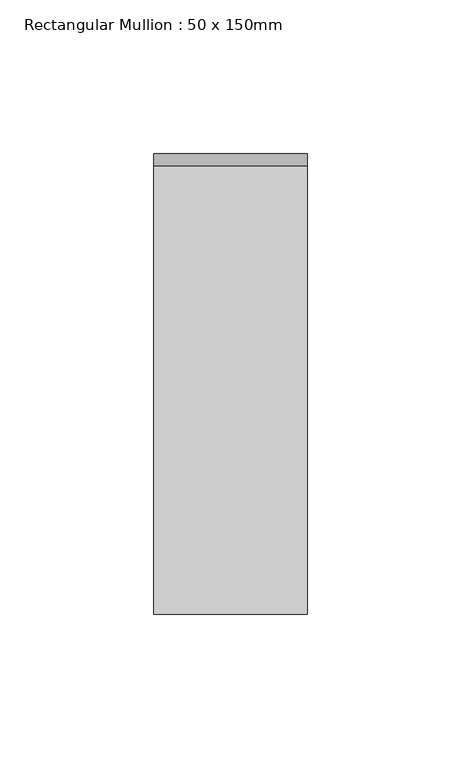
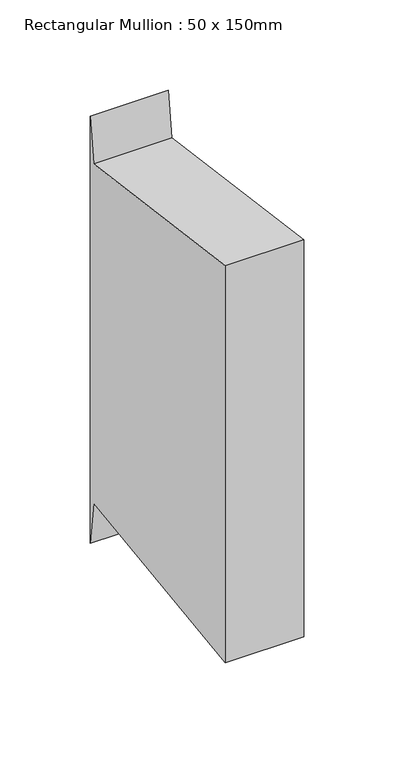
"""IFC4 building model written with IfcOpenShell, lengths in millimetres: member geometry, Rectangular Mullion : 50 x 150mm."""

from ifc_helpers import new_model, si_unit, frame, origin, place, context, project, spatial, polyline, outline, extrude, source, transform, mapped, element, save


def rectangular_mullion_50_x_150mm_52504370(model_context):
    return source(origin(), model_context, "Body", "SweptSolid", [
        extrude(outline(polyline([(-75.0, 9.7896196), (71.0328341, -9.7035513), (75.0, 20.0164197), (75.0, -269.1706206), (71.0328341, -239.4506495), (-75.0, -258.9438204), (-75.0, 9.7896196)])), frame((-25.0, 0.0, 0.0), z_axis=(1.0, 0.0, 0.0), x_axis=(0.0, 1.0, 0.0)), (0.0, 0.0, 1.0), 50.0),
    ])


if __name__ == "__main__":
    model = new_model("IFC4")
    model_context = context("Model", 3, world=origin())
    ifc_project = project(units=[si_unit("LENGTHUNIT", "METRE", prefix="MILLI")], contexts=[model_context])
    site = spatial("IfcSite", under=ifc_project)
    building = spatial("IfcBuilding", under=site)
    placement = place(None, origin())
    rectangular_mullion_50_x_150mm_shape = rectangular_mullion_50_x_150mm_52504370(model_context)
    element("IfcMember", 1, ObjectType="Rectangular Mullion : 50 x 150mm", at=placement, inside=building, context=model_context, shape_type="MappedRepresentation", body=[
        mapped(rectangular_mullion_50_x_150mm_shape, transform((0.0, 0.0, 0.0), x_axis=(1.0, 0.0, 0.0), y_axis=(0.0, 1.0, 0.0), z_axis=(0.0, 0.0, 1.0))),
    ])
    save(model, "model.ifc")
